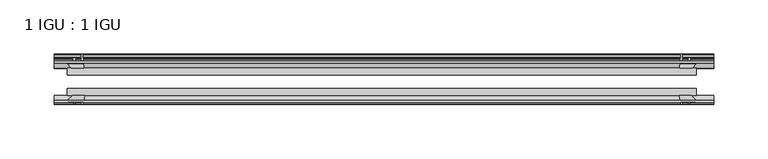
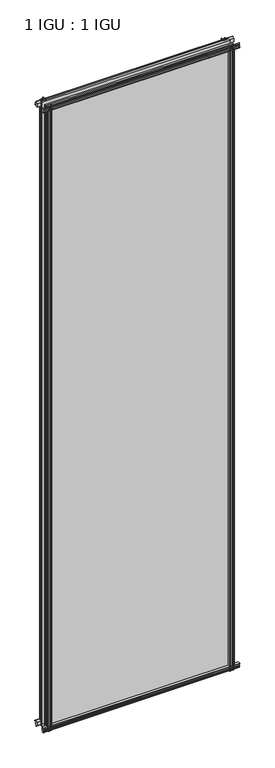
"""IFC4 building model written with IfcOpenShell, lengths in millimetres: plate geometry, 1 IGU : 1 IGU."""

from ifc_helpers import new_model, si_unit, point, frame, frame_2d, origin, place, context, project, spatial, polyline, circle_curve, trimmed, segment, composite_curve, outline, extrude, source, transform, mapped, element, save


def plate_1_igu_1_igu_2d5c3e60(model_context):
    return source(origin(), model_context, "Body", "SweptSolid", [
        extrude(outline(composite_curve([segment(polyline([(-57.0900403, 1.731044), (-50.00625, 3.0983599), (-50.00625, -7.92383), (-54.1882244, -12.1058044)]), True, "CONTINUOUS"), segment(trimmed(circle_curve(frame_2d((-55.08625, -11.2077788)), 1.27), [point((-54.1882244, -12.1058044))], [point((-56.35625, -11.2077788))], False, "CARTESIAN"), True, "CONTINUOUS"), segment(polyline([(-56.35625, -11.2077788), (-56.35625, -8.0327788), (-57.835546, -5.4488186), (-56.35625, -5.1879788), (-56.35625, 0.2222212), (-57.65913, 0.0383748)]), True, "CONTINUOUS"), segment(trimmed(circle_curve(frame_2d((-56.9150839, 0.7302212)), 1.016), [point((-57.65913, 0.0383748))], [point((-57.0900403, 1.731044))], False, "CARTESIAN"), True, "CONTINUOUS")], self_intersect=False)), frame((-300.7614, 0.0, 0.0), z_axis=(1.0, 0.0, 0.0), x_axis=(0.0, 1.0, 0.0)), (0.0, 0.0, 1.0), 605.5614),
        extrude(outline(composite_curve([segment(polyline([(-24.60625, 2.5763839), (-12.8423053, 1.6478499)]), True, "CONTINUOUS"), segment(trimmed(circle_curve(frame_2d((-12.92225, 0.635)), 1.016), [point((-12.8423053, 1.6478499))], [point((-12.1291353, 0.0))], False, "CARTESIAN"), True, "CONTINUOUS"), segment(polyline([(-12.1291353, 0.0), (-18.25625, 0.0), (-18.25625, -4.953), (-15.9568457, -5.5691235), (-16.3325195, -4.1670901), (-15.4738114, -3.937), (-14.82725, -6.35), (-15.4738114, -8.763), (-16.3325195, -8.5329099), (-15.9568457, -7.1308765), (-18.25625, -7.747), (-18.25625, -12.7), (-20.28825, -12.7), (-24.60625, -9.1036931), (-24.60625, 2.5763839)]), True, "CONTINUOUS")], self_intersect=False)), frame((-300.7614, 0.0, 0.0), z_axis=(1.0, 0.0, 0.0), x_axis=(0.0, 1.0, 0.0)), (0.0, 0.0, 1.0), 605.5614),
        extrude(outline(composite_curve([segment(polyline([(-20.28825, 2019.3), (-18.25625, 2019.3), (-18.25625, 2014.347), (-15.9568457, 2013.7308765), (-16.3325195, 2015.1329099), (-15.4738114, 2015.363), (-14.82725, 2012.95), (-15.4738114, 2010.537), (-16.3325195, 2010.7670901), (-15.9568457, 2012.1691235), (-18.25625, 2011.553), (-18.25625, 2006.6), (-12.1291353, 2006.6)]), True, "CONTINUOUS"), segment(trimmed(circle_curve(frame_2d((-12.92225, 2005.965)), 1.016), [point((-12.1291353, 2006.6))], [point((-12.8423053, 2004.9521501))], False, "CARTESIAN"), True, "CONTINUOUS"), segment(polyline([(-12.8423053, 2004.9521501), (-24.60625, 2004.0236161), (-24.60625, 2015.7036931), (-20.28825, 2019.3)]), True, "CONTINUOUS")], self_intersect=False)), frame((-300.7614, 0.0, 0.0), z_axis=(1.0, 0.0, 0.0), x_axis=(0.0, 1.0, 0.0)), (0.0, 0.0, 1.0), 605.5614),
        extrude(outline(composite_curve([segment(trimmed(circle_curve(frame_2d((-56.9150839, 2005.8697788)), 1.016), [point((-57.0900403, 2004.868956))], [point((-57.65913, 2006.5616252))], False, "CARTESIAN"), True, "CONTINUOUS"), segment(polyline([(-57.65913, 2006.5616252), (-56.35625, 2006.3777788), (-56.35625, 2011.7879788), (-57.835546, 2012.0488186), (-56.35625, 2014.6327788), (-56.35625, 2017.8077788)]), True, "CONTINUOUS"), segment(trimmed(circle_curve(frame_2d((-55.08625, 2017.8077788)), 1.27), [point((-56.35625, 2017.8077788))], [point((-54.1882244, 2018.7058044))], False, "CARTESIAN"), True, "CONTINUOUS"), segment(polyline([(-54.1882244, 2018.7058044), (-50.00625, 2014.52383), (-50.00625, 2003.5016401), (-57.0900403, 2004.868956)]), True, "CONTINUOUS")], self_intersect=False)), frame((-300.7614, 0.0, 0.0), z_axis=(1.0, 0.0, 0.0), x_axis=(0.0, 1.0, 0.0)), (0.0, 0.0, 1.0), 605.5614),
        extrude(outline(composite_curve([segment(polyline([(273.6486161, -24.60625), (274.5771501, -12.8423053)]), True, "CONTINUOUS"), segment(trimmed(circle_curve(frame_2d((275.59, -12.92225)), 1.016), [point((274.5771501, -12.8423053))], [point((276.225, -12.1291353))], False, "CARTESIAN"), True, "CONTINUOUS"), segment(polyline([(276.225, -12.1291353), (276.225, -18.25625), (281.178, -18.25625), (281.7941235, -15.9568457), (280.3920901, -16.3325195), (280.162, -15.4738114), (282.575, -14.82725), (284.988, -15.4738114), (284.7579099, -16.3325195), (283.3558765, -15.9568457), (283.972, -18.25625), (288.925, -18.25625), (288.925, -20.28825), (285.3286931, -24.60625), (273.6486161, -24.60625)]), True, "CONTINUOUS")], self_intersect=False)), frame((0.0, 0.0, -12.7), z_axis=(0.0, 0.0, 1.0), x_axis=(1.0, 0.0, 0.0)), (0.0, 0.0, 1.0), 2032.0),
        extrude(outline(composite_curve([segment(polyline([(281.4129788, -56.35625), (276.0027788, -56.35625), (276.1866252, -57.65913)]), True, "CONTINUOUS"), segment(trimmed(circle_curve(frame_2d((275.4947788, -56.9150839)), 1.016), [point((276.1866252, -57.65913))], [point((274.493956, -57.0900403))], False, "CARTESIAN"), True, "CONTINUOUS"), segment(polyline([(274.493956, -57.0900403), (273.1266401, -50.00625), (284.14883, -50.00625), (288.3308044, -54.1882244)]), True, "CONTINUOUS"), segment(trimmed(circle_curve(frame_2d((287.4327788, -55.08625)), 1.27), [point((288.3308044, -54.1882244))], [point((287.4327788, -56.35625))], False, "CARTESIAN"), True, "CONTINUOUS"), segment(polyline([(287.4327788, -56.35625), (284.2577788, -56.35625), (281.6738186, -57.835546), (281.4129788, -56.35625)]), True, "CONTINUOUS")], self_intersect=False)), frame((0.0, 0.0, -12.7), z_axis=(0.0, 0.0, 1.0), x_axis=(1.0, 0.0, 0.0)), (0.0, 0.0, 1.0), 2032.0),
        extrude(outline(composite_curve([segment(polyline([(-273.6486161, -24.60625), (-285.3286931, -24.60625), (-288.925, -20.28825), (-288.925, -18.25625), (-283.972, -18.25625), (-283.3558765, -15.9568457), (-284.7579099, -16.3325195), (-284.988, -15.4738114), (-282.575, -14.82725), (-280.162, -15.4738114), (-280.3920901, -16.3325195), (-281.7941235, -15.9568457), (-281.178, -18.25625), (-276.225, -18.25625), (-276.225, -12.1291353)]), True, "CONTINUOUS"), segment(trimmed(circle_curve(frame_2d((-275.59, -12.92225)), 1.016), [point((-276.225, -12.1291353))], [point((-274.5771501, -12.8423053))], False, "CARTESIAN"), True, "CONTINUOUS"), segment(polyline([(-274.5771501, -12.8423053), (-273.6486161, -24.60625)]), True, "CONTINUOUS")], self_intersect=False)), frame((0.0, 0.0, -12.7), z_axis=(0.0, 0.0, 1.0), x_axis=(1.0, 0.0, 0.0)), (0.0, 0.0, 1.0), 2032.0),
        extrude(outline(composite_curve([segment(polyline([(-273.1266401, -50.00625), (-274.493956, -57.0900403)]), True, "CONTINUOUS"), segment(trimmed(circle_curve(frame_2d((-275.4947788, -56.9150839)), 1.016), [point((-274.493956, -57.0900403))], [point((-276.1866252, -57.65913))], False, "CARTESIAN"), True, "CONTINUOUS"), segment(polyline([(-276.1866252, -57.65913), (-276.0027788, -56.35625), (-281.4129788, -56.35625), (-281.6738186, -57.835546), (-284.2577788, -56.35625), (-287.4327788, -56.35625)]), True, "CONTINUOUS"), segment(trimmed(circle_curve(frame_2d((-287.4327788, -55.08625)), 1.27), [point((-287.4327788, -56.35625))], [point((-288.3308044, -54.1882244))], False, "CARTESIAN"), True, "CONTINUOUS"), segment(polyline([(-288.3308044, -54.1882244), (-284.14883, -50.00625), (-273.1266401, -50.00625)]), True, "CONTINUOUS")], self_intersect=False)), frame((0.0, 0.0, -12.7), z_axis=(0.0, 0.0, 1.0), x_axis=(1.0, 0.0, 0.0)), (0.0, 0.0, 1.0), 2032.0),
        extrude(outline(polyline([(-288.925, -24.60625), (288.925, -24.60625), (288.925, -30.95625), (-288.925, -30.95625), (-288.925, -24.60625)])), frame((0.0, 0.0, -12.7), z_axis=(0.0, 0.0, 1.0), x_axis=(1.0, 0.0, 0.0)), (0.0, 0.0, 1.0), 2032.0),
        extrude(outline(polyline([(288.925, -43.65625), (288.925, -50.00625), (-288.925, -50.00625), (-288.925, -43.65625), (288.925, -43.65625)])), frame((0.0, 0.0, -12.7), z_axis=(0.0, 0.0, 1.0), x_axis=(1.0, 0.0, 0.0)), (0.0, 0.0, 1.0), 2032.0),
    ])


if __name__ == "__main__":
    model = new_model("IFC4")
    model_context = context("Model", 3, world=origin())
    ifc_project = project(units=[si_unit("LENGTHUNIT", "METRE", prefix="MILLI")], contexts=[model_context])
    site = spatial("IfcSite", under=ifc_project)
    building = spatial("IfcBuilding", under=site)
    placement = place(None, origin())
    plate_1_igu_1_igu_shape = plate_1_igu_1_igu_2d5c3e60(model_context)
    element("IfcPlate", 1, ObjectType="1 IGU : 1 IGU", at=placement, inside=building, context=model_context, shape_type="MappedRepresentation", body=[
        mapped(plate_1_igu_1_igu_shape, transform((0.0, 0.0, 0.0), x_axis=(1.0, 0.0, 0.0), y_axis=(0.0, 1.0, 0.0), z_axis=(0.0, 0.0, 1.0))),
    ])
    save(model, "model.ifc")
